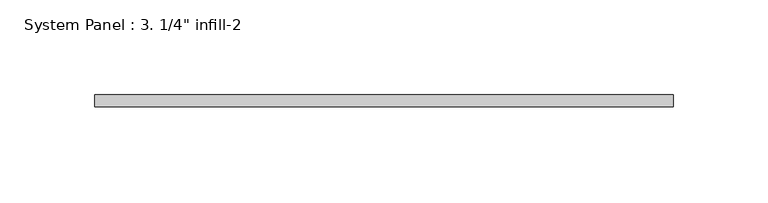
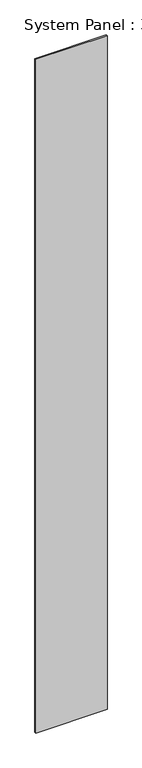
"""IFC4 building model written with IfcOpenShell, lengths in millimetres: plate geometry."""

from ifc_helpers import new_model, si_unit, origin, origin_with_axes, place, context, project, spatial, polyline, outline, extrude, source, transform, mapped, element, save


def plate_fa1d40ce(model_context):
    return source(origin(), model_context, "Body", "SweptSolid", [
        extrude(outline(polyline([(152.5110547, -6.35), (-152.5110547, -6.35), (-152.5110547, 0.0), (152.5110547, 0.0), (152.5110547, -6.35)])), origin_with_axes(), (0.0, 0.0, 1.0), 3048.0),
    ])


if __name__ == "__main__":
    model = new_model("IFC4")
    model_context = context("Model", 3, world=origin())
    ifc_project = project(units=[si_unit("LENGTHUNIT", "METRE", prefix="MILLI")], contexts=[model_context])
    site = spatial("IfcSite", under=ifc_project)
    building = spatial("IfcBuilding", under=site)
    placement = place(None, origin())
    plate_shape = plate_fa1d40ce(model_context)
    element("IfcPlate", 1, ObjectType="System Panel : 3. 1/4\" infill-2", at=placement, inside=building, context=model_context, shape_type="MappedRepresentation", body=[
        mapped(plate_shape, transform((0.0, 0.0, 0.0), x_axis=(1.0, 0.0, 0.0), y_axis=(0.0, 1.0, 0.0), z_axis=(0.0, 0.0, 1.0))),
    ])
    save(model, "model.ifc")
